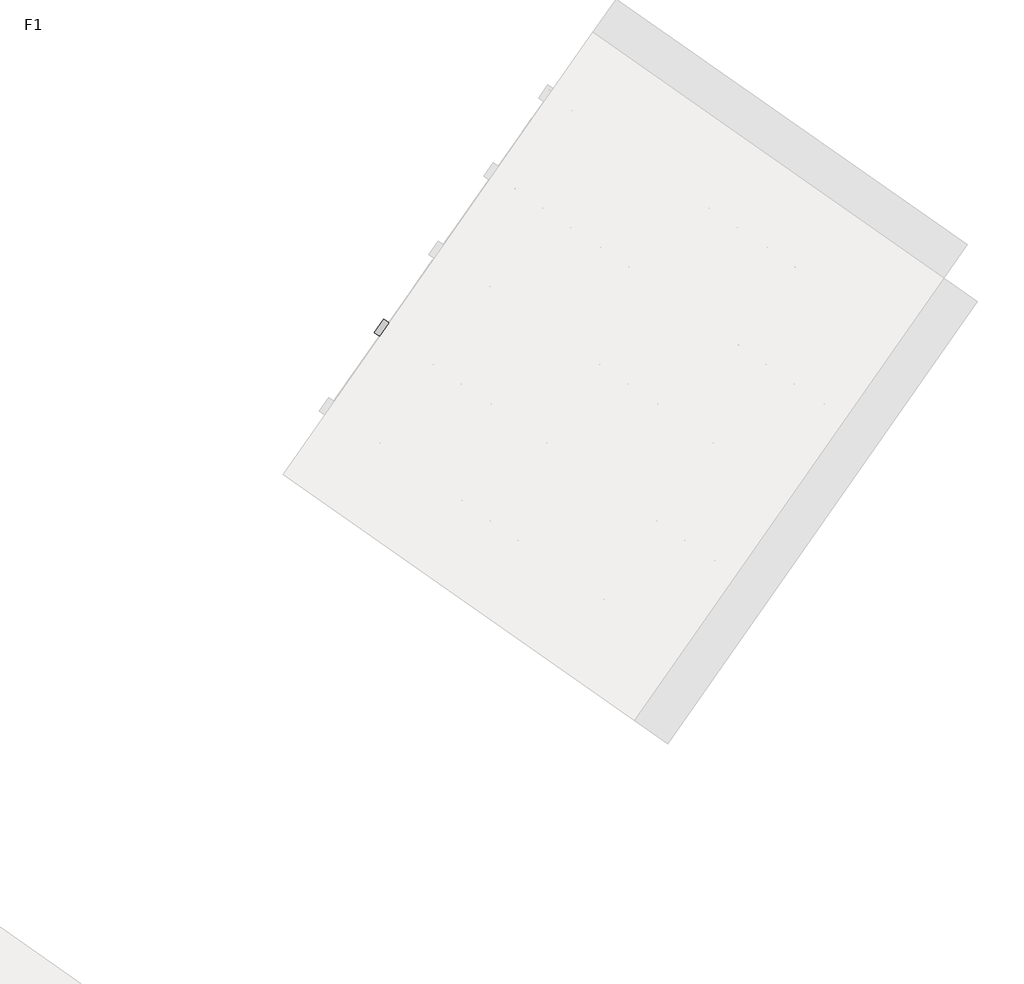
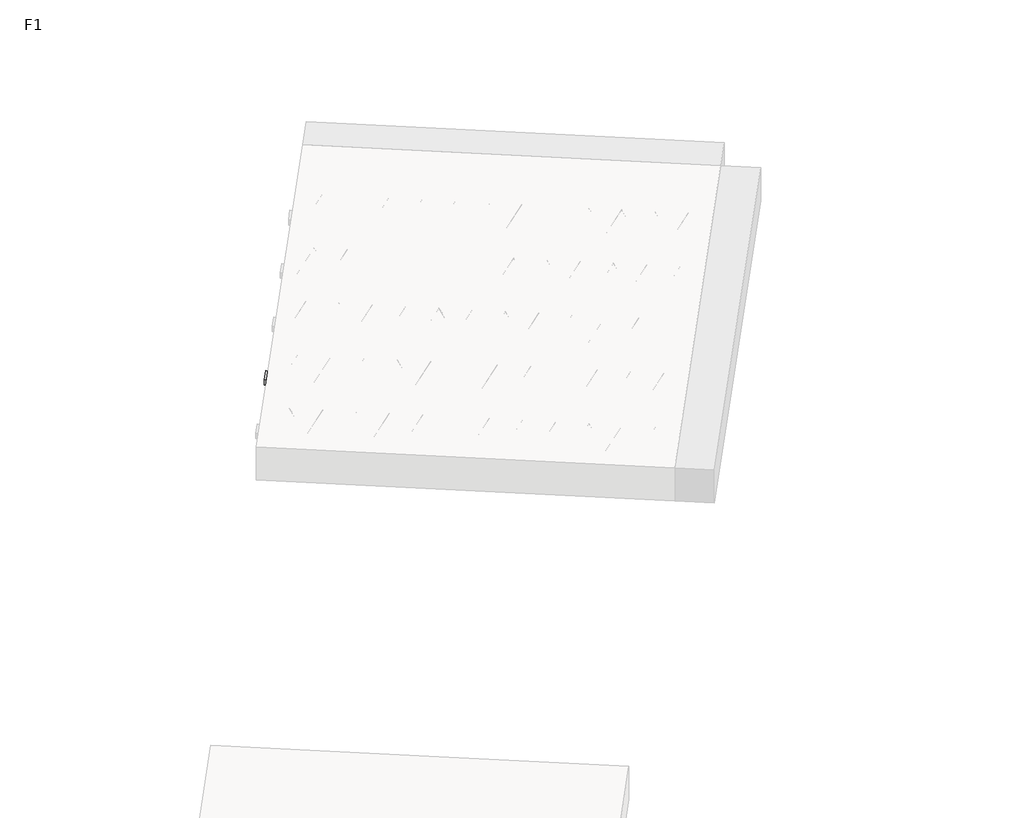
# One storey, part 20 of 30: 2 beams.
"""IFC4 building model written with IfcOpenShell, lengths in millimetres."""

from ifc_helpers import new_model, si_unit, point, frame, origin, origin_2d, place, context, project, spatial, polyline, circle_curve, trimmed, segment, composite_curve, outline, extrude, element, save

model = new_model("IFC4")

# Units and contexts
model_context = context("Model", 3, world=origin())
ifc_project = project(units=[si_unit("LENGTHUNIT", "METRE", prefix="MILLI")], contexts=[model_context])

# Site, building, storey
site = spatial("IfcSite", under=ifc_project)
building = spatial("IfcBuilding", under=site)
storey = spatial("IfcBuildingStorey", under=building, Name="F1", Elevation=99520.0)

# Beams
placement = place(None, origin())
element("IfcBeam", 1, at=placement, inside=storey, context=model_context, shape_type="SweptSolid", body=[
    extrude(outline(polyline([(10443.5572201, 4761.1476965), (10512.3863925, 4859.4459418), (13166.4390159, 3001.058288), (13097.6098435, 2902.7600427), (10443.5572201, 4761.1476965)])), frame((0.0, 0.0, 99720.0), z_axis=(0.0, 0.0, 1.0), x_axis=(1.0, 0.0, 0.0)), (0.0, 0.0, 1.0), 50.0),
    extrude(outline(composite_curve([segment(trimmed(circle_curve(origin_2d(), 2.5), [point((-2.5, 0.0))], [point((2.5, 0.0))], False, "CARTESIAN"), True, "CONTINUOUS"), segment(trimmed(circle_curve(origin_2d(), 2.5), [point((2.5, 0.0))], [point((-2.5, 0.0))], False, "CARTESIAN"), True, "CONTINUOUS")], self_intersect=False)), frame((13091.7160289, 2936.1855262, 99745.0), z_axis=(-0.8191520442696126, 0.5735764363787226, 0.0), x_axis=(0.5735764363787226, 0.8191520442696126, 0.0)), (0.0, 0.0, 1.0), 3192.0),
    extrude(outline(composite_curve([segment(trimmed(circle_curve(origin_2d(), 2.5), [point((-2.5, 0.0))], [point((2.5, 0.0))], False, "CARTESIAN"), True, "CONTINUOUS"), segment(trimmed(circle_curve(origin_2d(), 2.5), [point((2.5, 0.0))], [point((-2.5, 0.0))], False, "CARTESIAN"), True, "CONTINUOUS")], self_intersect=False)), frame((12972.2897811, 3063.7565704, 99970.0), z_axis=(-0.8191520442696126, 0.5735764363787226, 0.0), x_axis=(0.5735764363787226, 0.8191520442696126, 0.0)), (0.0, 0.0, 1.0), 2850.0),
    extrude(outline(composite_curve([segment(trimmed(circle_curve(origin_2d(), 2.5), [point((-2.5, 0.0))], [point((2.5, 0.0))], False, "CARTESIAN"), True, "CONTINUOUS"), segment(trimmed(circle_curve(origin_2d(), 2.5), [point((2.5, 0.0))], [point((-2.5, 0.0))], False, "CARTESIAN"), True, "CONTINUOUS")], self_intersect=False)), frame((13013.0774327, 2991.2488641, 99745.0), z_axis=(-0.3145304735701046, 0.38933448886848654, 0.8657304643902053), x_axis=(0.7778747638402499, 0.6284193279813057, 0.0)), (0.0, 0.0, 1.0), 259.8961331),
    extrude(outline(composite_curve([segment(trimmed(circle_curve(origin_2d(), 2.5), [point((2.5, 0.0))], [point((-2.5, 0.0))], False, "CARTESIAN"), True, "CONTINUOUS"), segment(trimmed(circle_curve(origin_2d(), 2.5), [point((-2.5, 0.0))], [point((2.5, 0.0))], False, "CARTESIAN"), True, "CONTINUOUS")], self_intersect=False)), frame((12808.2894216, 3134.6429732, 99745.0), z_axis=(0.47343050384693375, -0.16240172737369005, 0.8657304643902051), x_axis=(-0.3244721671091268, -0.9458952440791246, 0.0)), (0.0, 0.0, 1.0), 259.8961331),
    extrude(outline(composite_curve([segment(trimmed(circle_curve(origin_2d(), 2.5), [point((-2.5, 0.0))], [point((2.5, 0.0))], False, "CARTESIAN"), True, "CONTINUOUS"), segment(trimmed(circle_curve(origin_2d(), 2.5), [point((2.5, 0.0))], [point((-2.5, 0.0))], False, "CARTESIAN"), True, "CONTINUOUS")], self_intersect=False)), frame((12808.2894216, 3134.6429732, 99745.0), z_axis=(-0.3145304735701046, 0.38933448886848654, 0.8657304643902053), x_axis=(0.7778747638402499, 0.6284193279813057, 0.0)), (0.0, 0.0, 1.0), 259.8961331),
    extrude(outline(composite_curve([segment(trimmed(circle_curve(origin_2d(), 2.5), [point((2.5, -1e-07))], [point((-2.5, 0.0))], False, "CARTESIAN"), True, "CONTINUOUS"), segment(trimmed(circle_curve(origin_2d(), 2.5), [point((-2.5, 0.0))], [point((2.5, -1e-07))], False, "CARTESIAN"), True, "CONTINUOUS")], self_intersect=False)), frame((12603.5014106, 3278.0370823, 99745.0), z_axis=(0.47343050384693375, -0.16240172737369005, 0.8657304643902051), x_axis=(-0.3244721671091268, -0.9458952440791246, 0.0)), (0.0, 0.0, 1.0), 259.8961331),
    extrude(outline(composite_curve([segment(trimmed(circle_curve(origin_2d(), 2.5), [point((-2.5000001, 1e-07))], [point((2.5, 0.0))], False, "CARTESIAN"), True, "CONTINUOUS"), segment(trimmed(circle_curve(origin_2d(), 2.5), [point((2.5, 0.0))], [point((-2.5000001, 1e-07))], False, "CARTESIAN"), True, "CONTINUOUS")], self_intersect=False)), frame((12603.5014106, 3278.0370823, 99745.0), z_axis=(-0.3145304735701046, 0.38933448886848654, 0.8657304643902053), x_axis=(0.7778747638402499, 0.6284193279813057, 0.0)), (0.0, 0.0, 1.0), 259.8961331),
    extrude(outline(composite_curve([segment(trimmed(circle_curve(origin_2d(), 2.5), [point((2.5, 0.0))], [point((-2.5, 0.0))], False, "CARTESIAN"), True, "CONTINUOUS"), segment(trimmed(circle_curve(origin_2d(), 2.5), [point((-2.5, 0.0))], [point((2.5, 0.0))], False, "CARTESIAN"), True, "CONTINUOUS")], self_intersect=False)), frame((12398.7133995, 3421.4311914, 99745.0), z_axis=(0.47343050384693375, -0.16240172737369005, 0.8657304643902051), x_axis=(-0.3244721671091268, -0.9458952440791246, 0.0)), (0.0, 0.0, 1.0), 259.8961331),
    extrude(outline(composite_curve([segment(trimmed(circle_curve(origin_2d(), 2.5), [point((-2.5, 0.0))], [point((2.5, 0.0))], False, "CARTESIAN"), True, "CONTINUOUS"), segment(trimmed(circle_curve(origin_2d(), 2.5), [point((2.5, 0.0))], [point((-2.5, 0.0))], False, "CARTESIAN"), True, "CONTINUOUS")], self_intersect=False)), frame((12398.7133995, 3421.4311914, 99745.0), z_axis=(-0.3145304735701046, 0.38933448886848654, 0.8657304643902053), x_axis=(0.7778747638402499, 0.6284193279813057, 0.0)), (0.0, 0.0, 1.0), 259.8961331),
    extrude(outline(composite_curve([segment(trimmed(circle_curve(origin_2d(), 2.5), [point((2.5, 0.0))], [point((-2.5, 0.0))], False, "CARTESIAN"), True, "CONTINUOUS"), segment(trimmed(circle_curve(origin_2d(), 2.5), [point((-2.5, 0.0))], [point((2.5, 0.0))], False, "CARTESIAN"), True, "CONTINUOUS")], self_intersect=False)), frame((12193.9253884, 3564.8253005, 99745.0), z_axis=(0.47343050384693375, -0.16240172737369005, 0.8657304643902051), x_axis=(-0.3244721671091268, -0.9458952440791246, 0.0)), (0.0, 0.0, 1.0), 259.8961331),
    extrude(outline(composite_curve([segment(trimmed(circle_curve(origin_2d(), 2.5), [point((-2.5, 0.0))], [point((2.5, 0.0))], False, "CARTESIAN"), True, "CONTINUOUS"), segment(trimmed(circle_curve(origin_2d(), 2.5), [point((2.5, 0.0))], [point((-2.5, 0.0))], False, "CARTESIAN"), True, "CONTINUOUS")], self_intersect=False)), frame((12193.9253884, 3564.8253005, 99745.0), z_axis=(-0.3145304735701046, 0.38933448886848654, 0.8657304643902053), x_axis=(0.7778747638402499, 0.6284193279813057, 0.0)), (0.0, 0.0, 1.0), 259.8961331),
    extrude(outline(composite_curve([segment(trimmed(circle_curve(origin_2d(), 2.5), [point((2.5, -1e-07))], [point((-2.5, 0.0))], False, "CARTESIAN"), True, "CONTINUOUS"), segment(trimmed(circle_curve(origin_2d(), 2.5), [point((-2.5, 0.0))], [point((2.5, -1e-07))], False, "CARTESIAN"), True, "CONTINUOUS")], self_intersect=False)), frame((11989.1373774, 3708.2194096, 99745.0), z_axis=(0.47343050384693375, -0.16240172737369005, 0.8657304643902051), x_axis=(-0.3244721671091268, -0.9458952440791246, 0.0)), (0.0, 0.0, 1.0), 259.8961331),
    extrude(outline(composite_curve([segment(trimmed(circle_curve(origin_2d(), 2.5), [point((-2.5000001, 0.0))], [point((2.5, 0.0))], False, "CARTESIAN"), True, "CONTINUOUS"), segment(trimmed(circle_curve(origin_2d(), 2.5), [point((2.5, 0.0))], [point((-2.5000001, 0.0))], False, "CARTESIAN"), True, "CONTINUOUS")], self_intersect=False)), frame((11989.1373774, 3708.2194096, 99745.0), z_axis=(-0.3145304735701046, 0.38933448886848654, 0.8657304643902053), x_axis=(0.7778747638402499, 0.6284193279813057, 0.0)), (0.0, 0.0, 1.0), 259.8961331),
    extrude(outline(composite_curve([segment(trimmed(circle_curve(origin_2d(), 2.5), [point((2.5, 0.0))], [point((-2.5, 0.0))], False, "CARTESIAN"), True, "CONTINUOUS"), segment(trimmed(circle_curve(origin_2d(), 2.5), [point((-2.5, 0.0))], [point((2.5, 0.0))], False, "CARTESIAN"), True, "CONTINUOUS")], self_intersect=False)), frame((11784.3493663, 3851.6135187, 99745.0), z_axis=(0.47343050384693375, -0.16240172737369005, 0.8657304643902051), x_axis=(-0.3244721671091268, -0.9458952440791246, 0.0)), (0.0, 0.0, 1.0), 259.8961331),
    extrude(outline(composite_curve([segment(trimmed(circle_curve(origin_2d(), 2.5), [point((-2.5, -1e-07))], [point((2.5, 0.0))], False, "CARTESIAN"), True, "CONTINUOUS"), segment(trimmed(circle_curve(origin_2d(), 2.5), [point((2.5, 0.0))], [point((-2.5, -1e-07))], False, "CARTESIAN"), True, "CONTINUOUS")], self_intersect=False)), frame((11784.3493663, 3851.6135187, 99745.0), z_axis=(-0.3145304735701046, 0.38933448886848654, 0.8657304643902053), x_axis=(0.7778747638402499, 0.6284193279813057, 0.0)), (0.0, 0.0, 1.0), 259.8961331),
    extrude(outline(composite_curve([segment(trimmed(circle_curve(origin_2d(), 2.5), [point((2.5000001, 0.0))], [point((-2.5, 0.0))], False, "CARTESIAN"), True, "CONTINUOUS"), segment(trimmed(circle_curve(origin_2d(), 2.5), [point((-2.5, 0.0))], [point((2.5000001, 0.0))], False, "CARTESIAN"), True, "CONTINUOUS")], self_intersect=False)), frame((11579.5613552, 3995.0076278, 99745.0), z_axis=(0.47343050384693375, -0.16240172737369005, 0.8657304643902051), x_axis=(-0.3244721671091268, -0.9458952440791246, 0.0)), (0.0, 0.0, 1.0), 259.8961331),
    extrude(outline(composite_curve([segment(trimmed(circle_curve(origin_2d(), 2.5), [point((-2.5, -1e-07))], [point((2.5, 0.0))], False, "CARTESIAN"), True, "CONTINUOUS"), segment(trimmed(circle_curve(origin_2d(), 2.5), [point((2.5, 0.0))], [point((-2.5, -1e-07))], False, "CARTESIAN"), True, "CONTINUOUS")], self_intersect=False)), frame((11579.5613552, 3995.0076278, 99745.0), z_axis=(-0.3145304735701046, 0.38933448886848654, 0.8657304643902053), x_axis=(0.7778747638402499, 0.6284193279813057, 0.0)), (0.0, 0.0, 1.0), 259.8961331),
    extrude(outline(composite_curve([segment(trimmed(circle_curve(origin_2d(), 2.5), [point((2.5000001, 0.0))], [point((-2.5, 0.0))], False, "CARTESIAN"), True, "CONTINUOUS"), segment(trimmed(circle_curve(origin_2d(), 2.5), [point((-2.5, 0.0))], [point((2.5000001, 0.0))], False, "CARTESIAN"), True, "CONTINUOUS")], self_intersect=False)), frame((11374.7733442, 4138.4017369, 99745.0), z_axis=(0.47343050384693375, -0.16240172737369005, 0.8657304643902051), x_axis=(-0.3244721671091268, -0.9458952440791246, 0.0)), (0.0, 0.0, 1.0), 259.8961331),
    extrude(outline(composite_curve([segment(trimmed(circle_curve(origin_2d(), 2.5), [point((-2.5, -1e-07))], [point((2.5000001, -1e-07))], False, "CARTESIAN"), True, "CONTINUOUS"), segment(trimmed(circle_curve(origin_2d(), 2.5), [point((2.5000001, -1e-07))], [point((-2.5, -1e-07))], False, "CARTESIAN"), True, "CONTINUOUS")], self_intersect=False)), frame((11374.7733441, 4138.4017369, 99745.0), z_axis=(-0.3145304735701046, 0.38933448886848654, 0.8657304643902053), x_axis=(0.7778747638402499, 0.6284193279813057, 0.0)), (0.0, 0.0, 1.0), 259.8961331),
    extrude(outline(composite_curve([segment(trimmed(circle_curve(origin_2d(), 2.5), [point((2.5, 0.0))], [point((-2.5000001, 0.0))], False, "CARTESIAN"), True, "CONTINUOUS"), segment(trimmed(circle_curve(origin_2d(), 2.5), [point((-2.5000001, 0.0))], [point((2.5, 0.0))], False, "CARTESIAN"), True, "CONTINUOUS")], self_intersect=False)), frame((11169.9853331, 4281.7958459, 99745.0), z_axis=(0.47343050384693375, -0.16240172737369005, 0.8657304643902051), x_axis=(-0.3244721671091268, -0.9458952440791246, 0.0)), (0.0, 0.0, 1.0), 259.8961331),
    extrude(outline(composite_curve([segment(trimmed(circle_curve(origin_2d(), 2.5), [point((-2.5, 0.0))], [point((2.5, 1e-07))], False, "CARTESIAN"), True, "CONTINUOUS"), segment(trimmed(circle_curve(origin_2d(), 2.5), [point((2.5, 1e-07))], [point((-2.5, 0.0))], False, "CARTESIAN"), True, "CONTINUOUS")], self_intersect=False)), frame((11169.9853331, 4281.7958459, 99745.0), z_axis=(-0.3145304735701046, 0.38933448886848654, 0.8657304643902053), x_axis=(0.7778747638402499, 0.6284193279813057, 0.0)), (0.0, 0.0, 1.0), 259.8961331),
    extrude(outline(composite_curve([segment(trimmed(circle_curve(origin_2d(), 2.5), [point((2.5, 0.0))], [point((-2.5000001, 0.0))], False, "CARTESIAN"), True, "CONTINUOUS"), segment(trimmed(circle_curve(origin_2d(), 2.5), [point((-2.5000001, 0.0))], [point((2.5, 0.0))], False, "CARTESIAN"), True, "CONTINUOUS")], self_intersect=False)), frame((10965.197322, 4425.189955, 99745.0), z_axis=(0.47343050384693375, -0.16240172737369005, 0.8657304643902051), x_axis=(-0.3244721671091268, -0.9458952440791246, 0.0)), (0.0, 0.0, 1.0), 259.8961331),
    extrude(outline(composite_curve([segment(trimmed(circle_curve(origin_2d(), 2.5), [point((-2.5, 0.0))], [point((2.5, 1e-07))], False, "CARTESIAN"), True, "CONTINUOUS"), segment(trimmed(circle_curve(origin_2d(), 2.5), [point((2.5, 1e-07))], [point((-2.5, 0.0))], False, "CARTESIAN"), True, "CONTINUOUS")], self_intersect=False)), frame((10965.197322, 4425.189955, 99745.0), z_axis=(-0.3145304735701046, 0.38933448886848654, 0.8657304643902053), x_axis=(0.7778747638402499, 0.6284193279813057, 0.0)), (0.0, 0.0, 1.0), 259.8961331),
    extrude(outline(composite_curve([segment(trimmed(circle_curve(origin_2d(), 2.5), [point((2.5, 0.0))], [point((-2.5, 1e-07))], False, "CARTESIAN"), True, "CONTINUOUS"), segment(trimmed(circle_curve(origin_2d(), 2.5), [point((-2.5, 1e-07))], [point((2.5, 0.0))], False, "CARTESIAN"), True, "CONTINUOUS")], self_intersect=False)), frame((10760.4093109, 4568.5840641, 99745.0), z_axis=(0.47343050384693375, -0.16240172737369005, 0.8657304643902051), x_axis=(-0.3244721671091268, -0.9458952440791246, 0.0)), (0.0, 0.0, 1.0), 259.8961331),
    extrude(outline(composite_curve([segment(trimmed(circle_curve(origin_2d(), 2.5), [point((-2.5, 0.0))], [point((2.5000001, 0.0))], False, "CARTESIAN"), True, "CONTINUOUS"), segment(trimmed(circle_curve(origin_2d(), 2.5), [point((2.5000001, 0.0))], [point((-2.5, 0.0))], False, "CARTESIAN"), True, "CONTINUOUS")], self_intersect=False)), frame((10760.4093109, 4568.5840641, 99745.0), z_axis=(-0.3145304735701046, 0.38933448886848654, 0.8657304643902053), x_axis=(0.7778747638402499, 0.6284193279813057, 0.0)), (0.0, 0.0, 1.0), 259.8961331),
    extrude(outline(composite_curve([segment(trimmed(circle_curve(origin_2d(), 2.5), [point((2.5, 0.0))], [point((-2.5, 0.0))], False, "CARTESIAN"), True, "CONTINUOUS"), segment(trimmed(circle_curve(origin_2d(), 2.5), [point((-2.5, 0.0))], [point((2.5, 0.0))], False, "CARTESIAN"), True, "CONTINUOUS")], self_intersect=False)), frame((10555.6212999, 4711.9781732, 99745.0), z_axis=(0.47343050384693375, -0.16240172737369005, 0.8657304643902051), x_axis=(-0.3244721671091268, -0.9458952440791246, 0.0)), (0.0, 0.0, 1.0), 259.8961331),
    extrude(outline(composite_curve([segment(trimmed(circle_curve(origin_2d(), 2.5), [point((-2.5, 0.0))], [point((2.4999999, 0.0))], False, "CARTESIAN"), True, "CONTINUOUS"), segment(trimmed(circle_curve(origin_2d(), 2.5), [point((2.4999999, 0.0))], [point((-2.5, 0.0))], False, "CARTESIAN"), True, "CONTINUOUS")], self_intersect=False)), frame((13133.0135324, 2995.1644734, 99745.0), z_axis=(-0.8191520442696126, 0.5735764363787226, 0.0), x_axis=(0.5735764363787226, 0.8191520442696126, 0.0)), (0.0, 0.0, 1.0), 3192.0),
    extrude(outline(composite_curve([segment(trimmed(circle_curve(origin_2d(), 2.5), [point((-2.5, 0.0))], [point((2.5, 0.0))], False, "CARTESIAN"), True, "CONTINUOUS"), segment(trimmed(circle_curve(origin_2d(), 2.5), [point((2.5, 0.0))], [point((-2.5, 0.0))], False, "CARTESIAN"), True, "CONTINUOUS")], self_intersect=False)), frame((13054.3749361, 3050.2278113, 99745.0), z_axis=(-0.47343050384693375, 0.16240172737369005, 0.8657304643902051), x_axis=(0.3244721671091268, 0.9458952440791246, 0.0)), (0.0, 0.0, 1.0), 259.8961331),
    extrude(outline(composite_curve([segment(trimmed(circle_curve(origin_2d(), 2.5), [point((2.5, 0.0))], [point((-2.5000001, 1e-07))], False, "CARTESIAN"), True, "CONTINUOUS"), segment(trimmed(circle_curve(origin_2d(), 2.5), [point((-2.5000001, 1e-07))], [point((2.5, 0.0))], False, "CARTESIAN"), True, "CONTINUOUS")], self_intersect=False)), frame((12849.586925, 3193.6219204, 99745.0), z_axis=(0.3145304735701046, -0.38933448886848654, 0.8657304643902053), x_axis=(-0.7778747638402499, -0.6284193279813057, 0.0)), (0.0, 0.0, 1.0), 259.8961331),
    extrude(outline(composite_curve([segment(trimmed(circle_curve(origin_2d(), 2.5), [point((-2.5, 0.0))], [point((2.5, -1e-07))], False, "CARTESIAN"), True, "CONTINUOUS"), segment(trimmed(circle_curve(origin_2d(), 2.5), [point((2.5, -1e-07))], [point((-2.5, 0.0))], False, "CARTESIAN"), True, "CONTINUOUS")], self_intersect=False)), frame((12849.586925, 3193.6219204, 99745.0), z_axis=(-0.47343050384693375, 0.16240172737369005, 0.8657304643902051), x_axis=(0.3244721671091268, 0.9458952440791246, 0.0)), (0.0, 0.0, 1.0), 259.8961331),
    extrude(outline(composite_curve([segment(trimmed(circle_curve(origin_2d(), 2.5), [point((2.5, 1e-07))], [point((-2.5, 0.0))], False, "CARTESIAN"), True, "CONTINUOUS"), segment(trimmed(circle_curve(origin_2d(), 2.5), [point((-2.5, 0.0))], [point((2.5, 1e-07))], False, "CARTESIAN"), True, "CONTINUOUS")], self_intersect=False)), frame((12644.798914, 3337.0160295, 99745.0), z_axis=(0.3145304735701046, -0.38933448886848654, 0.8657304643902053), x_axis=(-0.7778747638402499, -0.6284193279813057, 0.0)), (0.0, 0.0, 1.0), 259.8961331),
    extrude(outline(composite_curve([segment(trimmed(circle_curve(origin_2d(), 2.5), [point((-2.5, 0.0))], [point((2.5, 0.0))], False, "CARTESIAN"), True, "CONTINUOUS"), segment(trimmed(circle_curve(origin_2d(), 2.5), [point((2.5, 0.0))], [point((-2.5, 0.0))], False, "CARTESIAN"), True, "CONTINUOUS")], self_intersect=False)), frame((12644.798914, 3337.0160295, 99745.0), z_axis=(-0.47343050384693375, 0.16240172737369005, 0.8657304643902051), x_axis=(0.3244721671091268, 0.9458952440791246, 0.0)), (0.0, 0.0, 1.0), 259.8961331),
    extrude(outline(composite_curve([segment(trimmed(circle_curve(origin_2d(), 2.5), [point((2.5, 1e-07))], [point((-2.5, 0.0))], False, "CARTESIAN"), True, "CONTINUOUS"), segment(trimmed(circle_curve(origin_2d(), 2.5), [point((-2.5, 0.0))], [point((2.5, 1e-07))], False, "CARTESIAN"), True, "CONTINUOUS")], self_intersect=False)), frame((12440.0109029, 3480.4101386, 99745.0), z_axis=(0.3145304735701046, -0.38933448886848654, 0.8657304643902053), x_axis=(-0.7778747638402499, -0.6284193279813057, 0.0)), (0.0, 0.0, 1.0), 259.8961331),
    extrude(outline(composite_curve([segment(trimmed(circle_curve(origin_2d(), 2.5), [point((-2.5, 0.0))], [point((2.5, 0.0))], False, "CARTESIAN"), True, "CONTINUOUS"), segment(trimmed(circle_curve(origin_2d(), 2.5), [point((2.5, 0.0))], [point((-2.5, 0.0))], False, "CARTESIAN"), True, "CONTINUOUS")], self_intersect=False)), frame((12440.0109029, 3480.4101386, 99745.0), z_axis=(-0.47343050384693375, 0.16240172737369005, 0.8657304643902051), x_axis=(0.3244721671091268, 0.9458952440791246, 0.0)), (0.0, 0.0, 1.0), 259.8961331),
    extrude(outline(composite_curve([segment(trimmed(circle_curve(origin_2d(), 2.5), [point((2.5, 1e-07))], [point((-2.5, 0.0))], False, "CARTESIAN"), True, "CONTINUOUS"), segment(trimmed(circle_curve(origin_2d(), 2.5), [point((-2.5, 0.0))], [point((2.5, 1e-07))], False, "CARTESIAN"), True, "CONTINUOUS")], self_intersect=False)), frame((12235.2228918, 3623.8042477, 99745.0), z_axis=(0.3145304735701046, -0.38933448886848654, 0.8657304643902053), x_axis=(-0.7778747638402499, -0.6284193279813057, 0.0)), (0.0, 0.0, 1.0), 259.8961331),
    extrude(outline(composite_curve([segment(trimmed(circle_curve(origin_2d(), 2.5), [point((-2.5000001, 0.0))], [point((2.5, -1e-07))], False, "CARTESIAN"), True, "CONTINUOUS"), segment(trimmed(circle_curve(origin_2d(), 2.5), [point((2.5, -1e-07))], [point((-2.5000001, 0.0))], False, "CARTESIAN"), True, "CONTINUOUS")], self_intersect=False)), frame((12235.2228918, 3623.8042477, 99745.0), z_axis=(-0.47343050384693375, 0.16240172737369005, 0.8657304643902051), x_axis=(0.3244721671091268, 0.9458952440791246, 0.0)), (0.0, 0.0, 1.0), 259.8961331),
    extrude(outline(composite_curve([segment(trimmed(circle_curve(origin_2d(), 2.5), [point((2.5, 1e-07))], [point((-2.5, 0.0))], False, "CARTESIAN"), True, "CONTINUOUS"), segment(trimmed(circle_curve(origin_2d(), 2.5), [point((-2.5, 0.0))], [point((2.5, 1e-07))], False, "CARTESIAN"), True, "CONTINUOUS")], self_intersect=False)), frame((12030.4348808, 3767.1983568, 99745.0), z_axis=(0.3145304735701046, -0.38933448886848654, 0.8657304643902053), x_axis=(-0.7778747638402499, -0.6284193279813057, 0.0)), (0.0, 0.0, 1.0), 259.8961331),
    extrude(outline(composite_curve([segment(trimmed(circle_curve(origin_2d(), 2.5), [point((-2.5000001, 0.0))], [point((2.5, 0.0))], False, "CARTESIAN"), True, "CONTINUOUS"), segment(trimmed(circle_curve(origin_2d(), 2.5), [point((2.5, 0.0))], [point((-2.5000001, 0.0))], False, "CARTESIAN"), True, "CONTINUOUS")], self_intersect=False)), frame((12030.4348808, 3767.1983568, 99745.0), z_axis=(-0.47343050384693375, 0.16240172737369005, 0.8657304643902051), x_axis=(0.3244721671091268, 0.9458952440791246, 0.0)), (0.0, 0.0, 1.0), 259.8961331),
    extrude(outline(composite_curve([segment(trimmed(circle_curve(origin_2d(), 2.5), [point((2.5, 0.0))], [point((-2.5, -1e-07))], False, "CARTESIAN"), True, "CONTINUOUS"), segment(trimmed(circle_curve(origin_2d(), 2.5), [point((-2.5, -1e-07))], [point((2.5, 0.0))], False, "CARTESIAN"), True, "CONTINUOUS")], self_intersect=False)), frame((11825.6468697, 3910.5924658, 99745.0), z_axis=(0.3145304735701046, -0.38933448886848654, 0.8657304643902053), x_axis=(-0.7778747638402499, -0.6284193279813057, 0.0)), (0.0, 0.0, 1.0), 259.8961331),
    extrude(outline(composite_curve([segment(trimmed(circle_curve(origin_2d(), 2.5), [point((-2.5, 0.0))], [point((2.5000001, 0.0))], False, "CARTESIAN"), True, "CONTINUOUS"), segment(trimmed(circle_curve(origin_2d(), 2.5), [point((2.5000001, 0.0))], [point((-2.5, 0.0))], False, "CARTESIAN"), True, "CONTINUOUS")], self_intersect=False)), frame((11825.6468697, 3910.5924658, 99745.0), z_axis=(-0.47343050384693375, 0.16240172737369005, 0.8657304643902051), x_axis=(0.3244721671091268, 0.9458952440791246, 0.0)), (0.0, 0.0, 1.0), 259.8961331),
    extrude(outline(composite_curve([segment(trimmed(circle_curve(origin_2d(), 2.5), [point((2.5, 0.0))], [point((-2.5, -1e-07))], False, "CARTESIAN"), True, "CONTINUOUS"), segment(trimmed(circle_curve(origin_2d(), 2.5), [point((-2.5, -1e-07))], [point((2.5, 0.0))], False, "CARTESIAN"), True, "CONTINUOUS")], self_intersect=False)), frame((11620.8588586, 4053.9865749, 99745.0), z_axis=(0.3145304735701046, -0.38933448886848654, 0.8657304643902053), x_axis=(-0.7778747638402499, -0.6284193279813057, 0.0)), (0.0, 0.0, 1.0), 259.8961331),
    extrude(outline(composite_curve([segment(trimmed(circle_curve(origin_2d(), 2.5), [point((-2.5, 0.0))], [point((2.5000001, 0.0))], False, "CARTESIAN"), True, "CONTINUOUS"), segment(trimmed(circle_curve(origin_2d(), 2.5), [point((2.5000001, 0.0))], [point((-2.5, 0.0))], False, "CARTESIAN"), True, "CONTINUOUS")], self_intersect=False)), frame((11620.8588586, 4053.9865749, 99745.0), z_axis=(-0.47343050384693375, 0.16240172737369005, 0.8657304643902051), x_axis=(0.3244721671091268, 0.9458952440791246, 0.0)), (0.0, 0.0, 1.0), 259.8961331),
    extrude(outline(composite_curve([segment(trimmed(circle_curve(origin_2d(), 2.5), [point((2.5, 0.0))], [point((-2.5, -1e-07))], False, "CARTESIAN"), True, "CONTINUOUS"), segment(trimmed(circle_curve(origin_2d(), 2.5), [point((-2.5, -1e-07))], [point((2.5, 0.0))], False, "CARTESIAN"), True, "CONTINUOUS")], self_intersect=False)), frame((11416.0708476, 4197.380684, 99745.0), z_axis=(0.3145304735701046, -0.38933448886848654, 0.8657304643902053), x_axis=(-0.7778747638402499, -0.6284193279813057, 0.0)), (0.0, 0.0, 1.0), 259.8961331),
    extrude(outline(composite_curve([segment(trimmed(circle_curve(origin_2d(), 2.5), [point((-2.5, 1e-07))], [point((2.5, 0.0))], False, "CARTESIAN"), True, "CONTINUOUS"), segment(trimmed(circle_curve(origin_2d(), 2.5), [point((2.5, 0.0))], [point((-2.5, 1e-07))], False, "CARTESIAN"), True, "CONTINUOUS")], self_intersect=False)), frame((11416.0708476, 4197.380684, 99745.0), z_axis=(-0.47343050384693375, 0.16240172737369005, 0.8657304643902051), x_axis=(0.3244721671091268, 0.9458952440791246, 0.0)), (0.0, 0.0, 1.0), 259.8961331),
    extrude(outline(composite_curve([segment(trimmed(circle_curve(origin_2d(), 2.5), [point((2.5, 0.0))], [point((-2.5, -1e-07))], False, "CARTESIAN"), True, "CONTINUOUS"), segment(trimmed(circle_curve(origin_2d(), 2.5), [point((-2.5, -1e-07))], [point((2.5, 0.0))], False, "CARTESIAN"), True, "CONTINUOUS")], self_intersect=False)), frame((11211.2828365, 4340.7747931, 99745.0), z_axis=(0.3145304735701046, -0.38933448886848654, 0.8657304643902053), x_axis=(-0.7778747638402499, -0.6284193279813057, 0.0)), (0.0, 0.0, 1.0), 259.8961331),
    extrude(outline(composite_curve([segment(trimmed(circle_curve(origin_2d(), 2.5), [point((-2.5, 0.0))], [point((2.5, 0.0))], False, "CARTESIAN"), True, "CONTINUOUS"), segment(trimmed(circle_curve(origin_2d(), 2.5), [point((2.5, 0.0))], [point((-2.5, 0.0))], False, "CARTESIAN"), True, "CONTINUOUS")], self_intersect=False)), frame((11211.2828365, 4340.7747931, 99745.0), z_axis=(-0.47343050384693375, 0.16240172737369005, 0.8657304643902051), x_axis=(0.3244721671091268, 0.9458952440791246, 0.0)), (0.0, 0.0, 1.0), 259.8961331),
    extrude(outline(composite_curve([segment(trimmed(circle_curve(origin_2d(), 2.5), [point((2.5, 0.0))], [point((-2.5, 0.0))], False, "CARTESIAN"), True, "CONTINUOUS"), segment(trimmed(circle_curve(origin_2d(), 2.5), [point((-2.5, 0.0))], [point((2.5, 0.0))], False, "CARTESIAN"), True, "CONTINUOUS")], self_intersect=False)), frame((11006.4948254, 4484.1689022, 99745.0), z_axis=(0.3145304735701046, -0.38933448886848654, 0.8657304643902053), x_axis=(-0.7778747638402499, -0.6284193279813057, 0.0)), (0.0, 0.0, 1.0), 259.8961331),
    extrude(outline(composite_curve([segment(trimmed(circle_curve(origin_2d(), 2.5), [point((-2.5, 0.0))], [point((2.5, -1e-07))], False, "CARTESIAN"), True, "CONTINUOUS"), segment(trimmed(circle_curve(origin_2d(), 2.5), [point((2.5, -1e-07))], [point((-2.5, 0.0))], False, "CARTESIAN"), True, "CONTINUOUS")], self_intersect=False)), frame((11006.4948254, 4484.1689022, 99745.0), z_axis=(-0.47343050384693375, 0.16240172737369005, 0.8657304643902051), x_axis=(0.3244721671091268, 0.9458952440791246, 0.0)), (0.0, 0.0, 1.0), 259.8961331),
    extrude(outline(composite_curve([segment(trimmed(circle_curve(origin_2d(), 2.5), [point((2.5, 0.0))], [point((-2.5, 0.0))], False, "CARTESIAN"), True, "CONTINUOUS"), segment(trimmed(circle_curve(origin_2d(), 2.5), [point((-2.5, 0.0))], [point((2.5, 0.0))], False, "CARTESIAN"), True, "CONTINUOUS")], self_intersect=False)), frame((10801.7068144, 4627.5630113, 99745.0), z_axis=(0.3145304735701046, -0.38933448886848654, 0.8657304643902053), x_axis=(-0.7778747638402499, -0.6284193279813057, 0.0)), (0.0, 0.0, 1.0), 259.8961331),
    extrude(outline(composite_curve([segment(trimmed(circle_curve(origin_2d(), 2.5), [point((-2.5, 1e-07))], [point((2.5, 0.0))], False, "CARTESIAN"), True, "CONTINUOUS"), segment(trimmed(circle_curve(origin_2d(), 2.5), [point((2.5, 0.0))], [point((-2.5, 1e-07))], False, "CARTESIAN"), True, "CONTINUOUS")], self_intersect=False)), frame((10801.7068144, 4627.5630113, 99745.0), z_axis=(-0.47343050384693375, 0.16240172737369005, 0.8657304643902051), x_axis=(0.3244721671091268, 0.9458952440791246, 0.0)), (0.0, 0.0, 1.0), 259.8961331),
    extrude(outline(composite_curve([segment(trimmed(circle_curve(origin_2d(), 2.5), [point((2.5, 0.0))], [point((-2.5, 0.0))], False, "CARTESIAN"), True, "CONTINUOUS"), segment(trimmed(circle_curve(origin_2d(), 2.5), [point((-2.5, 0.0))], [point((2.5, 0.0))], False, "CARTESIAN"), True, "CONTINUOUS")], self_intersect=False)), frame((10596.9188033, 4770.9571204, 99745.0), z_axis=(0.3145304735701046, -0.38933448886848654, 0.8657304643902053), x_axis=(-0.7778747638402499, -0.6284193279813057, 0.0)), (0.0, 0.0, 1.0), 259.8961331),
])
element("IfcBeam", 2, at=placement, inside=storey, context=model_context, shape_type="SweptSolid", body=[
    extrude(outline(polyline([(10845.0607256, 5334.5541275), (10913.8898979, 5432.8523728), (13567.9425214, 3574.464719), (13499.113349, 3476.1664737), (10845.0607256, 5334.5541275)])), frame((0.0, 0.0, 99720.0), z_axis=(0.0, 0.0, 1.0), x_axis=(1.0, 0.0, 0.0)), (0.0, 0.0, 1.0), 50.0),
])

save(model, "model.ifc")
